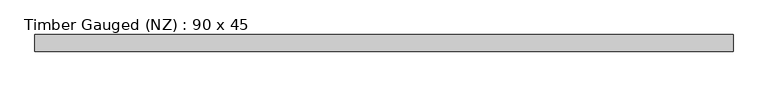
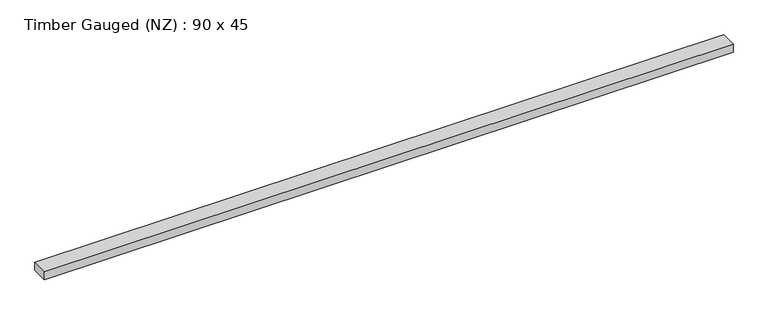
"""IFC4 building model written with IfcOpenShell, lengths in millimetres: beam geometry, Timber Gauged (NZ) : 90 x 45."""

from ifc_helpers import new_model, si_unit, frame, origin, place, context, project, spatial, polyline, outline, extrude, source, transform, mapped, element, save


def timber_gauged_nz_90_x_45_07e0cd1f(model_context):
    return source(origin(), model_context, "Body", "SweptSolid", [
        extrude(outline(polyline([(1885.2717693, 45.0), (1885.2717693, -45.0), (-1885.2717693, -45.0), (-1885.2717693, 45.0), (1885.2717693, 45.0)])), frame((0.0, 0.0, -22.5), z_axis=(0.0, 0.0, 1.0), x_axis=(1.0, 0.0, 0.0)), (0.0, 0.0, 1.0), 45.0),
    ])


if __name__ == "__main__":
    model = new_model("IFC4")
    model_context = context("Model", 3, world=origin())
    ifc_project = project(units=[si_unit("LENGTHUNIT", "METRE", prefix="MILLI")], contexts=[model_context])
    site = spatial("IfcSite", under=ifc_project)
    building = spatial("IfcBuilding", under=site)
    placement = place(None, origin())
    timber_gauged_nz_90_x_45_shape = timber_gauged_nz_90_x_45_07e0cd1f(model_context)
    element("IfcBeam", 1, ObjectType="Timber Gauged (NZ) : 90 x 45", at=placement, inside=building, context=model_context, shape_type="MappedRepresentation", body=[
        mapped(timber_gauged_nz_90_x_45_shape, transform((0.0, 0.0, 0.0), x_axis=(1.0, 0.0, 0.0), y_axis=(0.0, 1.0, 0.0), z_axis=(0.0, 0.0, 1.0))),
    ])
    save(model, "model.ifc")
